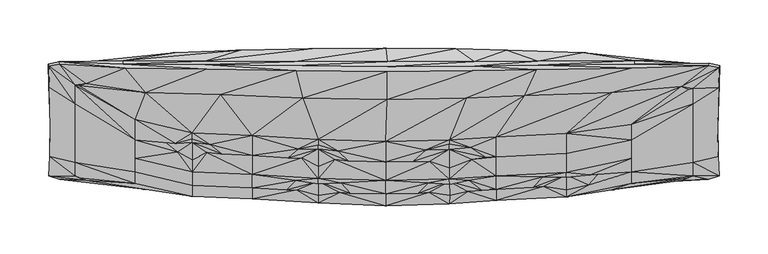
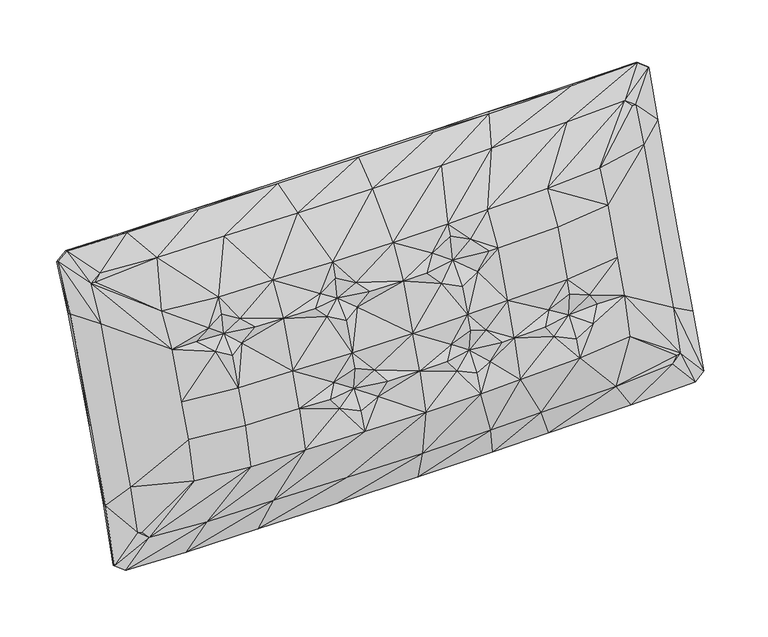
"""IFC4 building model written with IfcOpenShell, lengths in millimetres: furniture geometry."""

import ifcopenshell
import ifcopenshell.guid

model = None  # the IFC model being written
_history = None  # IfcOwnerHistory: only IFC2X3 demands one
_inside = {}  # id of a spatial element -> (the spatial element, [elements in it])
_under = {}  # id of a project, library or spatial element -> (it, [spatial elements below it])
_declared = {}  # id of a project -> (the project, [libraries it declares])
_typed = {}  # id of a type object -> (the type object, [elements of that type])
_made_of = {}  # id of a material, layer set ... -> (it, [elements and type objects made of it])


def new_model(schema):
    """Start an empty IFC model of exactly this schema.

    Asked for "IFC4X3", IfcOpenShell would pick the latest addendum, in which some entities
    have other attributes; the version numbers below select the first issue.
    IFC2X3 requires an IfcOwnerHistory on every rooted entity: one is made here for all.
    """
    global model, _history
    if schema == "IFC4X3":
        model = ifcopenshell.file(schema_version=(4, 3, 0, 0))
    else:
        model = ifcopenshell.file(schema=schema)
    _inside.clear()
    _under.clear()
    _declared.clear()
    _typed.clear()
    _made_of.clear()
    _history = None
    if model.schema == "IFC2X3":
        org = make("IfcOrganization", Name="unknown")
        user = make(
            "IfcPersonAndOrganization",
            ThePerson=make("IfcPerson", FamilyName="unknown"),
            TheOrganization=org,
        )
        app = make(
            "IfcApplication",
            ApplicationDeveloper=org,
            Version="unknown",
            ApplicationFullName="unknown",
            ApplicationIdentifier="unknown",
        )
        _history = make(
            "IfcOwnerHistory",
            OwningUser=user,
            OwningApplication=app,
            ChangeAction="ADDED",
            CreationDate=0,
        )
    return model


def make(cls, **values):
    """One entity of the class cls with the attributes given. An attribute that is None is left unset."""
    return model.create_entity(
        cls, **{name: value for name, value in values.items() if value is not None}
    )


def rooted(cls, **values):
    """An entity with a GlobalId (a new one), such as an element, a storey or a relation."""
    return make(cls, GlobalId=ifcopenshell.guid.new(), OwnerHistory=_history, **values)


def si_unit(unit_type, name, prefix=None):
    """IfcSIUnit, for example si_unit("LENGTHUNIT", "METRE", prefix="MILLI")."""
    return make("IfcSIUnit", UnitType=unit_type, Prefix=prefix, Name=name)


def assignment(units):
    """IfcUnitAssignment: the units of a project."""
    return None if units is None else make("IfcUnitAssignment", Units=units)


def point(xyz):
    """IfcCartesianPoint."""
    return None if xyz is None else make("IfcCartesianPoint", Coordinates=xyz)


def direction(xyz):
    """IfcDirection."""
    return None if xyz is None else make("IfcDirection", DirectionRatios=xyz)


def frame(location, z_axis=None, x_axis=None):
    """IfcAxis2Placement3D, a coordinate frame: its origin and axes. An axis left out is left unset."""
    return make(
        "IfcAxis2Placement3D",
        Location=point(location),
        Axis=direction(z_axis),
        RefDirection=direction(x_axis),
    )


def origin():
    """The frame at (0, 0, 0) with its axes left unset."""
    return frame((0.0, 0.0, 0.0))


def place(relative_to, where):
    """IfcLocalPlacement: puts the frame where relative to a parent placement (None: the world)."""
    return make(
        "IfcLocalPlacement", PlacementRelTo=relative_to, RelativePlacement=where
    )


def context(
    kind, dimensions, precision=None, world=None, true_north=None, identifier=None
):
    """IfcGeometricRepresentationContext, for example the 3D "Model" context."""
    return make(
        "IfcGeometricRepresentationContext",
        ContextIdentifier=identifier,
        ContextType=kind,
        CoordinateSpaceDimension=dimensions,
        Precision=precision,
        WorldCoordinateSystem=world,
        TrueNorth=true_north,
    )


def project(units=None, contexts=None):
    """IfcProject with its units and contexts."""
    return rooted(
        "IfcProject",
        Name="project",
        RepresentationContexts=contexts,
        UnitsInContext=assignment(units),
    )


def spatial(cls, under=None, at=None, **own):
    """A site, building, storey or space (cls), placed at a placement, below another one or the project."""
    s = rooted(cls, ObjectPlacement=at, **own)
    if under is not None:
        _under.setdefault(under.id(), (under, []))[1].append(s)
    return s


def point_list(points):
    """IfcCartesianPointList2D or 3D."""
    cls = (
        "IfcCartesianPointList2D" if len(points[0]) == 2 else "IfcCartesianPointList3D"
    )
    return make(cls, CoordList=points)


def triangles(points, corners, closed=None, point_numbers=None):
    """IfcTriangulatedFaceSet: each triangle names its three corners, points numbered from 1."""
    return make(
        "IfcTriangulatedFaceSet",
        Coordinates=point_list(points),
        Closed=closed,
        CoordIndex=corners,
        PnIndex=point_numbers,
    )


def shape(context_of_items, identifier, shape_type, items):
    """IfcShapeRepresentation: the items that make up one representation, for example the "Body"."""
    return make(
        "IfcShapeRepresentation",
        ContextOfItems=context_of_items,
        RepresentationIdentifier=identifier,
        RepresentationType=shape_type,
        Items=items,
    )


def source(mapping_origin, context_of_items, identifier, shape_type, items):
    """IfcRepresentationMap: a shape defined once, which mapped items show again and again."""
    return make(
        "IfcRepresentationMap",
        MappingOrigin=mapping_origin,
        MappedRepresentation=shape(context_of_items, identifier, shape_type, items),
    )


def transform(
    local_origin,
    x_axis=None,
    y_axis=None,
    z_axis=None,
    scale=None,
    scale2=None,
    scale3=None,
    uniform=True,
):
    """IfcCartesianTransformationOperator3D, or its non-uniform kind. x_axis, y_axis, z_axis: its Axis1, 2, 3."""
    if uniform:
        return make(
            "IfcCartesianTransformationOperator3D",
            Axis1=direction(x_axis),
            Axis2=direction(y_axis),
            LocalOrigin=point(local_origin),
            Scale=scale,
            Axis3=direction(z_axis),
        )
    return make(
        "IfcCartesianTransformationOperator3DnonUniform",
        Axis1=direction(x_axis),
        Axis2=direction(y_axis),
        LocalOrigin=point(local_origin),
        Scale=scale,
        Axis3=direction(z_axis),
        Scale2=scale2,
        Scale3=scale3,
    )


def mapped(mapping_source, mapping_target):
    """IfcMappedItem: shows the shape of a source again, moved by a transform."""
    return make(
        "IfcMappedItem", MappingSource=mapping_source, MappingTarget=mapping_target
    )


def made_of(thing, what):
    """Note that an element or type object is made of a material, layer set ...; save() writes the relation."""
    if what is not None:
        _made_of.setdefault(what.id(), (what, []))[1].append(thing)
    return thing


def element(
    cls,
    number,
    at=None,
    inside=None,
    cuts=None,
    type_object=None,
    material=None,
    context=None,
    identifier="Body",
    shape_type=None,
    held_by="IfcProductDefinitionShape",
    body=None,
    shapes=None,
    **own,
):
    """One element of the class cls, such as IfcWall. Its Tag is "e" and its number.

    at: its placement. inside: the storey or other place that contains it. cuts: it is an
    opening in that element (IfcRelVoidsElement). A single representation is given by context,
    identifier, shape_type and body (its items); several are given by shapes. held_by: the class
    of the entity that holds the representations. save() writes the other relations.
    """
    e = rooted(cls, Tag="e%d" % number, ObjectPlacement=at, **own)
    if body is not None:
        shapes = [shape(context, identifier, shape_type, body)]
    if shapes is not None:
        e.Representation = make(held_by, Representations=shapes)
    if inside is not None:
        _inside.setdefault(inside.id(), (inside, []))[1].append(e)
    if cuts is not None:
        rooted(
            "IfcRelVoidsElement", RelatingBuildingElement=cuts, RelatedOpeningElement=e
        )
    if type_object is not None:
        _typed.setdefault(type_object.id(), (type_object, []))[1].append(e)
    return made_of(e, material)


def aggregate(whole, parts):
    """IfcRelAggregates: a whole, such as a stair, and the parts it consists of."""
    return rooted("IfcRelAggregates", RelatingObject=whole, RelatedObjects=parts)


def save(model, path):
    """Write the relations noted so far, then the file.

    IfcRelAggregates (storeys below a building ...), IfcRelContainedInSpatialStructure (elements
    in a storey), IfcRelDefinesByType, IfcRelAssociatesMaterial and IfcRelDeclares: one each for
    every whole, place, type object, material and project.
    """
    for whole, parts in _under.values():
        aggregate(whole, parts)
    for where, things in _inside.values():
        rooted(
            "IfcRelContainedInSpatialStructure",
            RelatedElements=things,
            RelatingStructure=where,
        )
    for kind, things in _typed.values():
        rooted("IfcRelDefinesByType", RelatedObjects=things, RelatingType=kind)
    for what, things in _made_of.values():
        rooted("IfcRelAssociatesMaterial", RelatedObjects=things, RelatingMaterial=what)
    for by, libraries in _declared.values():
        rooted("IfcRelDeclares", RelatingContext=by, RelatedDefinitions=libraries)
    model.write(path)


def furniture_4f414a57(model_context):
    return source(origin(), model_context, "Body", "Tessellation", [
        triangles([(-187.6536439, -150.8028682, 206.1550037), (-246.8873104, -137.0552517, 201.1512757), (-246.8873104, -151.1375861, 162.4603779), (-187.6536439, -164.8852118, 167.4640878), (-79.9915927, -159.9440526, 180.7709427), (-125.002281, -153.5728572, 207.1631907), (-125.002281, -167.6551917, 168.4722929), (-90.0291886, -169.789073, 169.3408082), (58.01723, -162.4618858, 181.8222957), (13.9694859, -159.9233235, 209.4745867), (13.9694859, -174.005658, 170.7836708), (47.0115972, -173.4243344, 170.6638016), (129.0200317, -135.4381175, 261.5621595), (129.0200317, -155.0429709, 207.698278), (201.92314, -151.1924429, 206.2968192), (201.92314, -131.5876076, 260.1606826), (-125.002281, -133.9679946, 261.0270723), (-156.9675083, -132.1886883, 260.626043), (-172.4027035, -130.7823697, 245.3294476), (13.9694837, -140.3184518, 263.3384501), (-25.2413758, -139.4738813, 263.2900519), (-39.2925371, -137.9935483, 247.9015653), (118.0270072, -136.0112111, 262.1330549), (103.541418, -137.7471971, 242.2510745), (-187.705494, -138.5192884, 239.7468305), (-202.5865079, -130.2539226, 244.7729409), (-56.6553127, -157.71481, 208.6707659), (-56.6873874, -145.2843551, 241.6875369), (-73.8257082, -136.2461168, 247.0359205), (80.0381287, -157.9574188, 208.7590599), (80.0256749, -146.9097283, 237.4382687), (59.5243918, -139.7779598, 243.6107662), (129.0200317, -169.1253054, 169.0073802), (166.7392229, -166.8357104, 168.2759932), (177.0262948, -155.8564024, 179.4585955), (-56.6912753, -163.4547576, 192.1795668), (-33.1202554, -162.4787453, 181.4296234), (80.3666606, -163.6720409, 192.2714762), (100.2241695, -159.5360106, 183.1592235), (-246.8873104, -162.630244, 117.6721688), (-187.6536439, -176.3777515, 122.6758514), (-125.002281, -179.1474771, 123.6839566), (-23.3533461, -173.2819921, 170.6121333), (-34.3106828, -172.122597, 154.745242), (13.9694871, -186.3957265, 126.3221041), (113.7217195, -170.0536099, 169.4369688), (99.0535287, -171.095643, 151.5764583), (129.0200317, -180.6175182, 124.2190076), (-56.6553082, -183.2891756, 125.1914228), (-56.6912707, -175.2226077, 146.1741809), (-78.7987876, -169.8810914, 153.663731), (80.0381196, -184.4298218, 125.6065773), (80.3666606, -175.4443419, 146.2418094), (59.2013374, -172.3656054, 154.4304175), (201.92314, -176.7672808, 122.8176396), (202.0171567, -169.4663275, 142.6260054), (178.2701506, -165.7846118, 151.9809667), (-77.0930233, -127.0517562, 271.7741452), (-56.6873874, -122.9869607, 281.0066667), (-56.6553127, -117.1279524, 297.8550751), (-125.0022991, -112.9859905, 296.3475363), (55.4788902, -127.9889628, 276.630989), (80.025684, -121.7154721, 285.5914159), (80.0381287, -117.370543, 297.9433873), (13.9694825, -119.3364386, 298.6589141), (201.92314, -110.6055852, 295.4811466), (129.0200227, -114.4560951, 296.8826054), (-187.6536621, -110.2159833, 295.3393129), (-187.7055121, -116.4545378, 278.0826446), (-169.336012, -122.0449579, 269.6943848), (-36.0264892, -129.2888108, 272.3596654), (101.7252679, -125.5002157, 276.3500832), (-246.8873285, -117.4504073, 255.0151573), (-218.443516, -117.3711607, 255.2328947), (-205.6439884, -121.1487916, 269.7393312), (-246.8873285, -96.4683758, 290.3356213), (269.4120619, -117.45038, 255.0151573), (269.4120619, -101.5298492, 292.1778598), (202.0171567, -156.6418196, 191.1731784), (226.3339864, -154.0687572, 179.4579414), (269.4120619, -137.0552153, 201.1512757), (269.4120619, -151.1375589, 162.4603779), (237.295018, -151.1047938, 162.5503979), (225.0837539, -164.4945379, 150.856644), (269.4120619, -162.6302077, 117.6721688), (-187.6536621, -120.1895478, 256.0121349), (-56.6553127, -127.021698, 258.4988109), (80.0381196, -127.2615453, 258.5861057), (-56.6553127, -160.708886, 165.9440316), (80.0381196, -160.9487151, 166.0313446), (201.92314, -154.2579898, 163.5961008), (-88.1334195, -136.1664342, 262.0862373), (42.0243153, -139.7975352, 263.5111866), (-305.2134559, -156.8722561, 70.1067309), (-298.1597258, -159.6429445, 63.0126963), (-236.0117569, -169.0717113, 66.4444545), (-157.979892, -171.3267699, 67.2652211), (-72.8541468, -174.6987661, 68.4925399), (15.1086004, -177.2280267, 69.4131096), (97.3966622, -175.6274703, 68.8305507), (158.4033218, -172.5235718, 67.7008322), (249.2037206, -169.3888794, 66.5598953), (-72.8541468, -73.637888, 338.7357556), (-157.9798556, -70.2656375, 337.508396), (97.3966895, -73.8353869, 338.8076262), (15.1085947, -75.4359523, 339.3902215), (249.2037206, -68.3275745, 336.8029521), (158.4033218, -71.4625439, 337.9440162), (-236.0117751, -68.0103881, 336.6875158), (-298.1598166, -58.5815714, 333.2557122), (-305.478883, -60.924488, 325.8956237), (-309.7869049, -115.7575146, 188.8554783), (-309.7869049, -141.2253823, 118.8830506), (-309.7869049, -80.3021933, 286.2681733), (-309.7869049, -155.2543498, 70.3825817), (-309.7869776, -60.1400791, 324.8640733), (328.9023806, -65.0957677, 327.4414596), (321.4577042, -61.9759727, 334.4912109), (321.5853127, -159.4776748, 62.9525119), (328.6287054, -156.8744544, 70.0893855), (333.2607265, -80.302166, 286.2681733), (333.2606901, -63.952192, 326.2401157), (333.2607265, -141.2253551, 118.8830506), (333.2607265, -115.7574783, 188.8554783), (333.2607628, -155.2543498, 70.3825635), (-325.5963687, -158.7828589, 30.3044479), (-257.277065, -163.2063353, 31.908899), (-172.432044, -164.2762555, 32.4090728), (-79.9491807, -165.851123, 33.0004702), (15.6081929, -167.015823, 33.3815516), (105.0076711, -166.2738625, 33.1202145), (171.2812058, -164.8329075, 32.6095671), (269.991496, -163.3544731, 31.9685928), (-79.9326301, -45.3935546, 360.6287144), (-172.4020494, -43.7966181, 360.0739154), (104.9847165, -45.4753492, 360.6703906), (15.606618, -46.2181636, 360.9457008), (269.954289, -42.8020931, 359.8260381), (171.2535549, -44.3554094, 360.2770643), (-257.2396399, -42.6494679, 359.7770948), (-325.566247, -38.2093592, 358.1735953), (-335.4219317, -105.0663067, 183.2491708), (-336.2813996, -134.6169739, 100.8865746), (-336.4424363, -62.9648794, 297.5293319), (-337.3653814, -155.271082, 37.9972605), (-337.3453972, -40.5338949, 350.0534151), (349.4895324, -39.7574842, 358.802554), (349.4917851, -158.7086992, 30.2648542), (360.3483899, -62.9456264, 297.5418311), (361.2983683, -42.269522, 350.7586046), (360.1885159, -134.6086986, 100.8641377), (359.3395489, -105.0428252, 183.2368896), (361.2700996, -155.2705007, 37.9816002), (-257.0631791, -159.4201747, 30.4320746), (-325.3533966, -156.1276431, 29.1896018), (-309.5325963, -144.4084184, 41.5147534), (-244.9488567, -145.4560198, 41.8960437), (-172.270862, -160.0438648, 30.7839517), (-164.0609343, -145.4258436, 41.8850615), (15.6108261, -162.0136392, 31.481252), (-79.8624854, -161.1372937, 31.212121), (-75.8195363, -145.5509359, 41.9306028), (15.3627421, -145.5717104, 41.9381696), (171.1409527, -160.4679305, 30.9630923), (104.9323396, -161.4826033, 31.3036897), (100.6626602, -145.6052658, 41.9503736), (163.9022231, -145.7260705, 41.9943617), (269.7921623, -159.5197144, 30.4812041), (258.0260018, -145.4911376, 41.9088473), (-174.1713455, -39.1134737, 358.5915567), (-80.8075494, -40.2674049, 359.144866), (-80.8075494, -35.6516052, 347.3173176), (-174.1713455, -35.2561692, 347.1733947), (15.66788, -40.8897689, 359.4415049), (105.9194523, -40.3355194, 359.1774585), (105.9194523, -35.6747574, 347.3257473), (15.66788, -35.8624526, 347.3940571), (172.830112, -39.5209888, 358.7874023), (272.4177469, -38.4584583, 358.2758783), (272.4177469, -35.0288825, 347.0906599), (172.830112, -35.3965018, 347.2244817), (-259.7548389, -38.3518651, 358.224428), (-259.7548389, -34.9917118, 347.0771433), (-326.0973192, -35.9690073, 357.1221697), (-310.1515992, -37.3937341, 335.2760831), (-335.8771365, -130.8173966, 98.8905754), (-335.4721104, -100.9004818, 180.5417961), (-321.4243486, -95.556522, 176.326283), (-321.4243486, -122.6599185, 101.8602887), (-337.084839, -59.7699981, 295.7163793), (-321.4243486, -57.8243139, 279.9947009), (-337.1321108, -152.7133348, 36.9103401), (-321.4243486, -141.3594312, 49.3764147), (-337.9156749, -38.5413293, 349.0458821), (-321.4243486, -40.8615411, 324.7317049), (350.0245651, -37.2162354, 357.6106936), (333.7186563, -37.8594283, 335.0498251), (349.2626567, -156.0778097, 29.161826), (333.2671941, -144.3895969, 41.5079134), (361.8542573, -39.9246524, 349.5925784), (360.999404, -59.7715424, 295.7291329), (345.1595641, -57.8242775, 279.9947009), (345.1595641, -41.2849755, 324.8856926), (359.3956864, -100.9151066, 180.5533688), (359.7965704, -130.8344468, 98.884353), (345.1595641, -122.6598822, 101.8602887), (345.1595641, -95.5564857, 176.326283), (361.0470755, -152.722037, 36.9015494), (345.1596004, -141.3594039, 49.3764147), (-313.3060215, -139.8108611, 45.8349566), (-269.5049705, -116.0463687, 69.5225142), (-193.8413113, -112.1762288, 68.113902), (-129.2110993, -109.4955694, 67.1382166), (-59.1891697, -108.0921031, 66.6273966), (14.1500901, -107.1297527, 66.2771318), (82.3054958, -108.0751074, 66.6212151), (132.8344973, -109.4852594, 67.1344696), (208.0402811, -112.1887372, 68.118453), (-62.2070178, -22.397184, 302.7355003), (-137.289358, -23.6217231, 303.1811671), (86.505739, -22.3999182, 302.7364995), (14.3939013, -21.5427326, 302.4244909), (219.5394339, -26.4804081, 304.2216559), (139.9679736, -23.6217413, 303.1811671), (-205.6714032, -26.4803809, 304.2216378), (-269.5049887, -34.1601492, 294.5790577), (-313.1356831, -37.3290283, 326.560663), (-269.5049887, -75.39969, 172.9560491), (-269.5049887, -95.4958244, 117.7423862), (-269.5049887, -47.4227049, 249.8221785), (336.8097831, -37.7210124, 326.7739494), (292.2199358, -34.160726, 294.5792758), (292.2199358, -116.0641638, 69.5289955), (336.9563948, -139.8533276, 45.7963643), (292.2199358, -47.4226731, 249.8221785), (292.2199358, -95.495788, 117.7423862), (292.2199358, -75.3996582, 172.9560491), (-167.5184994, -82.7683854, 116.5888774), (-119.5295681, -80.3138023, 115.6954726), (-78.538511, -78.6136154, 115.0766604), (-34.1278156, -77.7234717, 114.7526795), (12.3868666, -77.1131165, 114.5305364), (55.6137475, -77.7126984, 114.7487644), (87.6612554, -78.607066, 115.0742896), (135.359761, -80.3217233, 115.6983703), (-36.0418453, -31.8785002, 241.1313572), (-83.662099, -32.6551538, 241.4140253), (58.277711, -31.8802307, 241.1319931), (12.5415026, -31.3365684, 240.9341127), (142.652975, -34.4682495, 242.0739595), (92.1855795, -32.6551607, 241.4140434), (-127.0326803, -34.4682268, 242.0739232), (-167.5184994, -38.6130228, 237.9529538), (-167.5184994, -60.1091126, 173.6171279), (-167.5184994, -69.2049555, 148.6265021), (-167.5184994, -47.4462636, 208.4080276), (188.7498525, -38.6133816, 237.9530992), (188.7498525, -82.7796674, 116.5929923), (188.7498525, -47.4462409, 208.4080276), (188.7498525, -69.2049419, 148.6265021), (188.7498525, -60.1090899, 173.6171279), (137.2446569, -67.9959041, 148.1864491), (-34.6224824, -66.1269275, 147.5061944), (12.4268316, -65.2824251, 147.1988276), (12.4574212, -56.226855, 172.2041146), (-35.0011226, -57.2505889, 172.5767118), (-35.5282388, -44.3997881, 207.2992108), (12.500008, -43.6200891, 207.0154163), (138.6873832, -59.0066409, 173.2158624), (140.6959451, -46.3222225, 207.9989137), (-79.8626761, -67.174756, 147.8875756), (-80.8762316, -58.2401587, 172.9368824), (-82.2872647, -45.4790282, 207.6920102), (56.3022411, -66.0958747, 147.4948942), (56.8292256, -57.2039983, 172.5597615), (57.5628745, -44.3776737, 207.2911626), (-121.468694, -68.1383918, 148.2382991), (-122.9529784, -59.1477932, 173.2672401), (-125.0193312, -46.4653415, 208.0509999), (88.8305336, -66.8594319, 147.7728024), (89.7255552, -57.9284227, 172.8234263), (90.9715366, -45.1591258, 207.5755929)], [[1, 2, 3], [3, 4, 1], [5, 6, 7], [7, 8, 5], [9, 10, 11], [11, 12, 9], [13, 14, 15], [16, 13, 15], [17, 18, 19], [19, 6, 17], [20, 21, 22], [22, 10, 20], [13, 23, 24], [24, 14, 13], [1, 25, 26], [26, 2, 1], [27, 28, 29], [29, 6, 27], [30, 31, 32], [32, 10, 30], [33, 34, 35], [14, 33, 35], [4, 7, 6], [6, 1, 4], [27, 36, 37], [37, 10, 27], [30, 38, 39], [39, 14, 30], [4, 3, 40], [40, 41, 4], [7, 4, 41], [41, 42, 7], [11, 43, 44], [44, 45, 11], [33, 46, 47], [47, 48, 33], [49, 50, 51], [51, 42, 49], [52, 53, 54], [54, 45, 52], [55, 56, 57], [57, 48, 55], [58, 59, 60], [60, 61, 58], [62, 63, 64], [64, 65, 62], [13, 16, 66], [66, 67, 13], [68, 69, 70], [70, 61, 68], [60, 59, 71], [71, 65, 60], [64, 63, 72], [72, 67, 64], [73, 74, 75], [75, 76, 73], [66, 16, 77], [77, 78, 66], [15, 79, 80], [80, 81, 15], [16, 15, 81], [81, 77, 16], [82, 83, 84], [84, 85, 82], [70, 69, 86], [71, 59, 87], [72, 63, 88], [37, 36, 89], [39, 38, 90], [80, 79, 91], [19, 18, 86], [75, 74, 86], [86, 26, 25], [59, 58, 87], [29, 28, 87], [87, 22, 21], [63, 62, 88], [32, 31, 88], [88, 24, 23], [5, 8, 89], [51, 50, 89], [89, 44, 43], [9, 12, 90], [54, 53, 90], [90, 47, 46], [35, 34, 91], [57, 56, 91], [91, 84, 83], [91, 83, 80], [80, 83, 82], [82, 81, 80], [91, 79, 35], [35, 79, 15], [15, 14, 35], [90, 46, 39], [39, 46, 33], [33, 14, 39], [91, 34, 57], [57, 34, 33], [33, 48, 57], [91, 56, 84], [84, 56, 55], [55, 85, 84], [90, 38, 9], [9, 38, 30], [30, 10, 9], [90, 12, 54], [54, 12, 11], [11, 45, 54], [90, 53, 47], [47, 53, 52], [52, 48, 47], [89, 50, 44], [44, 50, 49], [49, 45, 44], [89, 8, 51], [51, 8, 7], [7, 42, 51], [89, 36, 5], [5, 36, 27], [27, 6, 5], [89, 43, 37], [37, 43, 11], [11, 10, 37], [86, 25, 19], [19, 25, 1], [1, 6, 19], [86, 74, 26], [26, 74, 73], [73, 2, 26], [86, 69, 75], [75, 69, 68], [68, 76, 75], [86, 18, 70], [70, 18, 17], [17, 61, 70], [17, 92, 58], [58, 61, 17], [58, 92, 87], [87, 21, 71], [71, 21, 20], [20, 65, 71], [87, 28, 22], [22, 28, 27], [27, 10, 22], [87, 92, 29], [29, 92, 17], [17, 6, 29], [20, 93, 62], [62, 65, 20], [62, 93, 88], [88, 23, 72], [72, 23, 13], [13, 67, 72], [88, 31, 24], [24, 31, 30], [30, 14, 24], [88, 93, 32], [32, 93, 20], [20, 10, 32], [40, 94, 95], [41, 40, 95], [41, 95, 96], [42, 41, 96], [96, 97, 42], [45, 49, 98], [98, 99, 45], [48, 52, 100], [100, 101, 48], [49, 42, 97], [97, 98, 49], [52, 45, 99], [99, 100, 52], [55, 48, 101], [101, 102, 55], [61, 60, 103], [103, 104, 61], [65, 64, 105], [105, 106, 65], [67, 66, 107], [107, 108, 67], [68, 61, 104], [104, 109, 68], [60, 65, 106], [106, 103, 60], [64, 67, 108], [108, 105, 64], [76, 68, 109], [109, 110, 111], [76, 109, 111], [3, 2, 112], [112, 113, 3], [2, 73, 114], [114, 112, 2], [40, 3, 113], [113, 115, 94], [40, 113, 94], [76, 111, 116], [73, 76, 116], [73, 116, 114], [78, 117, 118], [66, 78, 118], [66, 118, 107], [85, 55, 102], [102, 119, 120], [85, 102, 120], [78, 77, 121], [121, 122, 117], [78, 121, 117], [81, 82, 123], [123, 124, 81], [77, 81, 124], [124, 121, 77], [85, 120, 125], [82, 85, 125], [82, 125, 123], [96, 95, 126], [126, 127, 96], [97, 96, 127], [127, 128, 97], [99, 98, 129], [129, 130, 99], [101, 100, 131], [131, 132, 101], [98, 97, 128], [128, 129, 98], [100, 99, 130], [130, 131, 100], [102, 101, 132], [132, 133, 102], [104, 103, 134], [134, 135, 104], [106, 105, 136], [136, 137, 106], [108, 107, 138], [138, 139, 108], [109, 104, 135], [135, 140, 109], [103, 106, 137], [137, 134, 103], [105, 108, 139], [139, 136, 105], [110, 109, 140], [140, 141, 110], [113, 112, 142], [142, 143, 113], [112, 114, 144], [144, 142, 112], [115, 113, 143], [143, 145, 115], [114, 116, 146], [146, 144, 114], [107, 118, 147], [147, 138, 107], [119, 102, 133], [133, 148, 119], [122, 121, 149], [149, 150, 122], [124, 123, 151], [151, 152, 124], [121, 124, 152], [152, 149, 121], [123, 125, 153], [153, 151, 123], [154, 155, 156], [156, 157, 154], [158, 154, 157], [157, 159, 158], [160, 161, 162], [162, 163, 160], [164, 165, 166], [166, 167, 164], [161, 158, 159], [159, 162, 161], [165, 160, 163], [163, 166, 165], [168, 164, 167], [167, 169, 168], [170, 171, 172], [172, 173, 170], [174, 175, 176], [176, 177, 174], [178, 179, 180], [180, 181, 178], [182, 170, 173], [173, 183, 182], [171, 174, 177], [177, 172, 171], [175, 178, 181], [181, 176, 175], [184, 182, 183], [183, 185, 184], [186, 187, 188], [188, 189, 186], [187, 190, 191], [191, 188, 187], [192, 186, 189], [189, 193, 192], [190, 194, 195], [195, 191, 190], [179, 196, 197], [197, 180, 179], [198, 168, 169], [169, 199, 198], [200, 201, 202], [202, 203, 200], [204, 205, 206], [206, 207, 204], [201, 204, 207], [207, 202, 201], [205, 208, 209], [209, 206, 205], [157, 156, 210], [157, 210, 211], [157, 211, 212], [159, 157, 212], [212, 213, 159], [163, 162, 214], [214, 215, 163], [167, 166, 216], [216, 217, 167], [162, 159, 213], [213, 214, 162], [166, 163, 215], [215, 216, 166], [169, 167, 217], [217, 218, 169], [173, 172, 219], [219, 220, 173], [177, 176, 221], [221, 222, 177], [181, 180, 223], [223, 224, 181], [183, 173, 220], [220, 225, 183], [172, 177, 222], [222, 219, 172], [176, 181, 224], [224, 221, 176], [185, 183, 225], [185, 225, 226], [227, 185, 226], [189, 188, 228], [228, 229, 189], [188, 191, 230], [230, 228, 188], [193, 189, 229], [193, 229, 211], [210, 193, 211], [191, 195, 227], [191, 227, 226], [191, 226, 230], [180, 197, 231], [180, 231, 232], [180, 232, 223], [199, 169, 218], [199, 218, 233], [234, 199, 233], [203, 202, 235], [203, 235, 232], [231, 203, 232], [207, 206, 236], [236, 237, 207], [202, 207, 237], [237, 235, 202], [206, 209, 234], [206, 234, 233], [206, 233, 236], [212, 211, 238], [238, 239, 212], [213, 212, 239], [239, 240, 213], [215, 214, 241], [241, 242, 215], [217, 216, 243], [243, 244, 217], [214, 213, 240], [240, 241, 214], [216, 215, 242], [242, 243, 216], [218, 217, 244], [244, 245, 218], [220, 219, 246], [246, 247, 220], [222, 221, 248], [248, 249, 222], [224, 223, 250], [250, 251, 224], [225, 220, 247], [247, 252, 225], [219, 222, 249], [249, 246, 219], [221, 224, 251], [251, 248, 221], [226, 225, 252], [252, 253, 226], [229, 228, 254], [254, 255, 229], [228, 230, 256], [256, 254, 228], [211, 229, 255], [255, 238, 211], [230, 226, 253], [253, 256, 230], [223, 232, 257], [257, 250, 223], [233, 218, 245], [245, 258, 233], [232, 235, 259], [259, 257, 232], [237, 236, 260], [260, 261, 237], [235, 237, 261], [261, 259, 235], [236, 233, 258], [258, 260, 236], [258, 245, 262], [262, 260, 258], [241, 263, 264], [264, 242, 241], [265, 266, 267], [267, 268, 265], [261, 269, 270], [270, 259, 261], [240, 271, 263], [263, 241, 240], [272, 273, 267], [267, 266, 272], [243, 242, 264], [264, 274, 243], [275, 265, 268], [268, 276, 275], [266, 263, 271], [271, 272, 266], [266, 265, 264], [264, 263, 266], [265, 275, 274], [274, 264, 265], [269, 261, 260], [260, 262, 269], [247, 246, 267], [267, 273, 247], [246, 249, 268], [268, 267, 246], [249, 248, 276], [276, 268, 249], [257, 259, 270], [270, 250, 257], [238, 255, 277], [277, 239, 238], [255, 254, 278], [278, 277, 255], [254, 256, 279], [279, 278, 254], [279, 256, 253], [253, 252, 279], [245, 244, 280], [280, 262, 245], [262, 280, 281], [281, 269, 262], [269, 281, 282], [282, 270, 269], [270, 282, 251], [251, 250, 270], [244, 243, 274], [274, 280, 244], [280, 274, 275], [275, 281, 280], [281, 275, 276], [276, 282, 281], [282, 276, 248], [248, 251, 282], [240, 239, 277], [277, 271, 240], [277, 278, 272], [272, 271, 277], [278, 279, 273], [273, 272, 278], [247, 273, 279], [279, 252, 247], [126, 155, 154], [154, 127, 126], [127, 154, 158], [158, 128, 127], [129, 161, 160], [160, 130, 129], [131, 165, 164], [164, 132, 131], [128, 158, 161], [161, 129, 128], [130, 160, 165], [165, 131, 130], [132, 164, 168], [168, 133, 132], [134, 171, 170], [170, 135, 134], [136, 175, 174], [174, 137, 136], [138, 179, 178], [178, 139, 138], [135, 170, 182], [182, 140, 135], [137, 174, 171], [171, 134, 137], [139, 178, 175], [175, 136, 139], [140, 182, 184], [184, 141, 140], [142, 187, 186], [186, 143, 142], [144, 190, 187], [187, 142, 144], [143, 186, 192], [192, 145, 143], [146, 194, 190], [190, 144, 146], [147, 196, 179], [179, 138, 147], [133, 168, 198], [198, 148, 133], [149, 201, 200], [200, 150, 149], [151, 205, 204], [204, 152, 151], [152, 204, 201], [201, 149, 152], [153, 208, 205], [205, 151, 153], [94, 115, 95], [111, 110, 116], [117, 122, 118], [120, 119, 125], [156, 193, 210], [185, 227, 195], [197, 203, 231], [199, 234, 209], [95, 115, 145], [145, 126, 95], [116, 110, 141], [141, 146, 116], [118, 122, 150], [150, 147, 118], [125, 119, 148], [148, 153, 125], [155, 192, 193], [193, 156, 155], [194, 184, 185], [185, 195, 194], [196, 200, 203], [203, 197, 196], [208, 198, 199], [199, 209, 208], [192, 155, 126], [126, 145, 192], [184, 194, 146], [146, 141, 184], [200, 196, 147], [147, 150, 200], [198, 208, 153], [153, 148, 198]]),
    ])


if __name__ == "__main__":
    model = new_model("IFC4")
    model_context = context("Model", 3, world=origin())
    ifc_project = project(units=[si_unit("LENGTHUNIT", "METRE", prefix="MILLI")], contexts=[model_context])
    site = spatial("IfcSite", under=ifc_project)
    building = spatial("IfcBuilding", under=site)
    placement = place(None, origin())
    furniture_shape = furniture_4f414a57(model_context)
    element("IfcFurniture", 1, at=placement, inside=building, context=model_context, shape_type="MappedRepresentation", body=[
        mapped(furniture_shape, transform((0.0, 0.0, 0.0), x_axis=(1.0, 0.0, 0.0), y_axis=(0.0, 1.0, 0.0), z_axis=(0.0, 0.0, 1.0))),
    ])
    save(model, "model.ifc")
